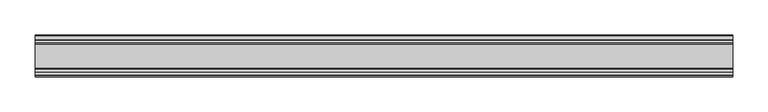
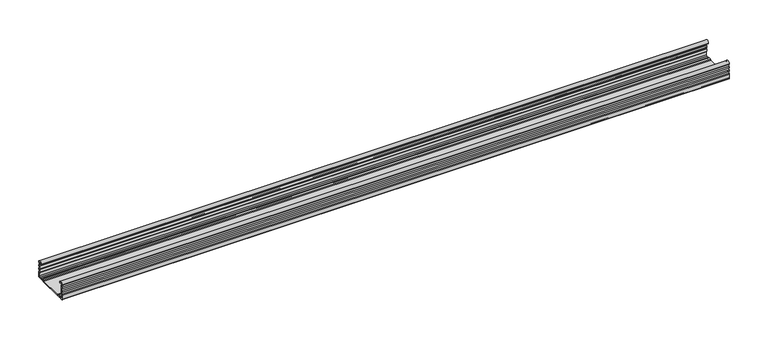
"""IFC4 building model written with IfcOpenShell, lengths in millimetres: proxy geometry."""

import ifcopenshell
import ifcopenshell.guid

model = None  # the IFC model being written
_history = None  # IfcOwnerHistory: only IFC2X3 demands one
_inside = {}  # id of a spatial element -> (the spatial element, [elements in it])
_under = {}  # id of a project, library or spatial element -> (it, [spatial elements below it])
_declared = {}  # id of a project -> (the project, [libraries it declares])
_typed = {}  # id of a type object -> (the type object, [elements of that type])
_made_of = {}  # id of a material, layer set ... -> (it, [elements and type objects made of it])


def new_model(schema):
    """Start an empty IFC model of exactly this schema.

    Asked for "IFC4X3", IfcOpenShell would pick the latest addendum, in which some entities
    have other attributes; the version numbers below select the first issue.
    IFC2X3 requires an IfcOwnerHistory on every rooted entity: one is made here for all.
    """
    global model, _history
    if schema == "IFC4X3":
        model = ifcopenshell.file(schema_version=(4, 3, 0, 0))
    else:
        model = ifcopenshell.file(schema=schema)
    _inside.clear()
    _under.clear()
    _declared.clear()
    _typed.clear()
    _made_of.clear()
    _history = None
    if model.schema == "IFC2X3":
        org = make("IfcOrganization", Name="unknown")
        user = make(
            "IfcPersonAndOrganization",
            ThePerson=make("IfcPerson", FamilyName="unknown"),
            TheOrganization=org,
        )
        app = make(
            "IfcApplication",
            ApplicationDeveloper=org,
            Version="unknown",
            ApplicationFullName="unknown",
            ApplicationIdentifier="unknown",
        )
        _history = make(
            "IfcOwnerHistory",
            OwningUser=user,
            OwningApplication=app,
            ChangeAction="ADDED",
            CreationDate=0,
        )
    return model


def make(cls, **values):
    """One entity of the class cls with the attributes given. An attribute that is None is left unset."""
    return model.create_entity(
        cls, **{name: value for name, value in values.items() if value is not None}
    )


def rooted(cls, **values):
    """An entity with a GlobalId (a new one), such as an element, a storey or a relation."""
    return make(cls, GlobalId=ifcopenshell.guid.new(), OwnerHistory=_history, **values)


def si_unit(unit_type, name, prefix=None):
    """IfcSIUnit, for example si_unit("LENGTHUNIT", "METRE", prefix="MILLI")."""
    return make("IfcSIUnit", UnitType=unit_type, Prefix=prefix, Name=name)


def assignment(units):
    """IfcUnitAssignment: the units of a project."""
    return None if units is None else make("IfcUnitAssignment", Units=units)


def point(xyz):
    """IfcCartesianPoint."""
    return None if xyz is None else make("IfcCartesianPoint", Coordinates=xyz)


def direction(xyz):
    """IfcDirection."""
    return None if xyz is None else make("IfcDirection", DirectionRatios=xyz)


def frame(location, z_axis=None, x_axis=None):
    """IfcAxis2Placement3D, a coordinate frame: its origin and axes. An axis left out is left unset."""
    return make(
        "IfcAxis2Placement3D",
        Location=point(location),
        Axis=direction(z_axis),
        RefDirection=direction(x_axis),
    )


def frame_2d(location, x_axis=None):
    """IfcAxis2Placement2D, a coordinate frame in the plane: its origin and x axis."""
    return make(
        "IfcAxis2Placement2D", Location=point(location), RefDirection=direction(x_axis)
    )


def origin():
    """The frame at (0, 0, 0) with its axes left unset."""
    return frame((0.0, 0.0, 0.0))


def place(relative_to, where):
    """IfcLocalPlacement: puts the frame where relative to a parent placement (None: the world)."""
    return make(
        "IfcLocalPlacement", PlacementRelTo=relative_to, RelativePlacement=where
    )


def context(
    kind, dimensions, precision=None, world=None, true_north=None, identifier=None
):
    """IfcGeometricRepresentationContext, for example the 3D "Model" context."""
    return make(
        "IfcGeometricRepresentationContext",
        ContextIdentifier=identifier,
        ContextType=kind,
        CoordinateSpaceDimension=dimensions,
        Precision=precision,
        WorldCoordinateSystem=world,
        TrueNorth=true_north,
    )


def project(units=None, contexts=None):
    """IfcProject with its units and contexts."""
    return rooted(
        "IfcProject",
        Name="project",
        RepresentationContexts=contexts,
        UnitsInContext=assignment(units),
    )


def spatial(cls, under=None, at=None, **own):
    """A site, building, storey or space (cls), placed at a placement, below another one or the project."""
    s = rooted(cls, ObjectPlacement=at, **own)
    if under is not None:
        _under.setdefault(under.id(), (under, []))[1].append(s)
    return s


def polyline(points):
    """IfcPolyline through the points."""
    return make("IfcPolyline", Points=[point(p) for p in points])


def circle_curve(where, radius):
    """IfcCircle in the frame where."""
    return make("IfcCircle", Position=where, Radius=radius)


def trimmed(basis, trim1, trim2, sense, master):
    """IfcTrimmedCurve: the piece of a basis curve between two trims."""
    return make(
        "IfcTrimmedCurve",
        BasisCurve=basis,
        Trim1=trim1,
        Trim2=trim2,
        SenseAgreement=sense,
        MasterRepresentation=master,
    )


def segment(curve, same_sense, transition):
    """IfcCompositeCurveSegment."""
    return make(
        "IfcCompositeCurveSegment",
        Transition=transition,
        SameSense=same_sense,
        ParentCurve=curve,
    )


def composite_curve(segments, self_intersect=None):
    """IfcCompositeCurve: segments joined end to end."""
    return make("IfcCompositeCurve", Segments=segments, SelfIntersect=self_intersect)


def outline(outer, holes=None, kind="AREA"):
    """IfcArbitraryClosedProfileDef: a profile drawn as a closed curve; with holes, ...WithVoids."""
    if holes is None:
        return make("IfcArbitraryClosedProfileDef", ProfileType=kind, OuterCurve=outer)
    return make(
        "IfcArbitraryProfileDefWithVoids",
        ProfileType=kind,
        OuterCurve=outer,
        InnerCurves=holes,
    )


def extrude(swept, where, along, depth):
    """IfcExtrudedAreaSolid: the profile swept, set in the frame where, extruded along a direction by depth."""
    return make(
        "IfcExtrudedAreaSolid",
        SweptArea=swept,
        Position=where,
        ExtrudedDirection=direction(along),
        Depth=depth,
    )


def shape(context_of_items, identifier, shape_type, items):
    """IfcShapeRepresentation: the items that make up one representation, for example the "Body"."""
    return make(
        "IfcShapeRepresentation",
        ContextOfItems=context_of_items,
        RepresentationIdentifier=identifier,
        RepresentationType=shape_type,
        Items=items,
    )


def source(mapping_origin, context_of_items, identifier, shape_type, items):
    """IfcRepresentationMap: a shape defined once, which mapped items show again and again."""
    return make(
        "IfcRepresentationMap",
        MappingOrigin=mapping_origin,
        MappedRepresentation=shape(context_of_items, identifier, shape_type, items),
    )


def transform(
    local_origin,
    x_axis=None,
    y_axis=None,
    z_axis=None,
    scale=None,
    scale2=None,
    scale3=None,
    uniform=True,
):
    """IfcCartesianTransformationOperator3D, or its non-uniform kind. x_axis, y_axis, z_axis: its Axis1, 2, 3."""
    if uniform:
        return make(
            "IfcCartesianTransformationOperator3D",
            Axis1=direction(x_axis),
            Axis2=direction(y_axis),
            LocalOrigin=point(local_origin),
            Scale=scale,
            Axis3=direction(z_axis),
        )
    return make(
        "IfcCartesianTransformationOperator3DnonUniform",
        Axis1=direction(x_axis),
        Axis2=direction(y_axis),
        LocalOrigin=point(local_origin),
        Scale=scale,
        Axis3=direction(z_axis),
        Scale2=scale2,
        Scale3=scale3,
    )


def mapped(mapping_source, mapping_target):
    """IfcMappedItem: shows the shape of a source again, moved by a transform."""
    return make(
        "IfcMappedItem", MappingSource=mapping_source, MappingTarget=mapping_target
    )


def made_of(thing, what):
    """Note that an element or type object is made of a material, layer set ...; save() writes the relation."""
    if what is not None:
        _made_of.setdefault(what.id(), (what, []))[1].append(thing)
    return thing


def element(
    cls,
    number,
    at=None,
    inside=None,
    cuts=None,
    type_object=None,
    material=None,
    context=None,
    identifier="Body",
    shape_type=None,
    held_by="IfcProductDefinitionShape",
    body=None,
    shapes=None,
    **own,
):
    """One element of the class cls, such as IfcWall. Its Tag is "e" and its number.

    at: its placement. inside: the storey or other place that contains it. cuts: it is an
    opening in that element (IfcRelVoidsElement). A single representation is given by context,
    identifier, shape_type and body (its items); several are given by shapes. held_by: the class
    of the entity that holds the representations. save() writes the other relations.
    """
    e = rooted(cls, Tag="e%d" % number, ObjectPlacement=at, **own)
    if body is not None:
        shapes = [shape(context, identifier, shape_type, body)]
    if shapes is not None:
        e.Representation = make(held_by, Representations=shapes)
    if inside is not None:
        _inside.setdefault(inside.id(), (inside, []))[1].append(e)
    if cuts is not None:
        rooted(
            "IfcRelVoidsElement", RelatingBuildingElement=cuts, RelatedOpeningElement=e
        )
    if type_object is not None:
        _typed.setdefault(type_object.id(), (type_object, []))[1].append(e)
    return made_of(e, material)


def aggregate(whole, parts):
    """IfcRelAggregates: a whole, such as a stair, and the parts it consists of."""
    return rooted("IfcRelAggregates", RelatingObject=whole, RelatedObjects=parts)


def save(model, path):
    """Write the relations noted so far, then the file.

    IfcRelAggregates (storeys below a building ...), IfcRelContainedInSpatialStructure (elements
    in a storey), IfcRelDefinesByType, IfcRelAssociatesMaterial and IfcRelDeclares: one each for
    every whole, place, type object, material and project.
    """
    for whole, parts in _under.values():
        aggregate(whole, parts)
    for where, things in _inside.values():
        rooted(
            "IfcRelContainedInSpatialStructure",
            RelatedElements=things,
            RelatingStructure=where,
        )
    for kind, things in _typed.values():
        rooted("IfcRelDefinesByType", RelatedObjects=things, RelatingType=kind)
    for what, things in _made_of.values():
        rooted("IfcRelAssociatesMaterial", RelatedObjects=things, RelatingMaterial=what)
    for by, libraries in _declared.values():
        rooted("IfcRelDeclares", RelatingContext=by, RelatedDefinitions=libraries)
    model.write(path)


def generic_models_a569ede1(model_context):
    return source(origin(), model_context, "Body", "SweptSolid", [
        extrude(outline(composite_curve([segment(trimmed(circle_curve(frame_2d((30.75, 21.1911057)), 1.95), [point((29.424, 22.6208693))], [point((29.424, 19.7613421))], True, "CARTESIAN"), True, "CONTINUOUS"), segment(trimmed(circle_curve(frame_2d((28.2, 18.4415603)), 1.8), [point((29.424, 19.7613421))], [point((29.6853338, 17.4248088))], False, "CARTESIAN"), True, "CONTINUOUS"), segment(trimmed(circle_curve(frame_2d((30.75, 15.7911057)), 1.95), [point((29.6853338, 17.4248088))], [point((29.6853338, 14.1574026))], True, "CARTESIAN"), True, "CONTINUOUS"), segment(trimmed(circle_curve(frame_2d((28.2, 13.1406511)), 1.8), [point((29.6853338, 14.1574026))], [point((29.424, 11.8208693))], False, "CARTESIAN"), True, "CONTINUOUS"), segment(trimmed(circle_curve(frame_2d((30.75, 10.3911057)), 1.95), [point((29.424, 11.8208693))], [point((29.424, 8.9613421))], True, "CARTESIAN"), True, "CONTINUOUS"), segment(trimmed(circle_curve(frame_2d((28.2, 7.6415603)), 1.8), [point((29.424, 8.9613421))], [point((30.0, 7.6415603))], False, "CARTESIAN"), True, "CONTINUOUS"), segment(polyline([(30.0, 7.6415603), (30.0, 1.2)]), True, "CONTINUOUS"), segment(trimmed(circle_curve(frame_2d((28.8, 1.2)), 1.2), [point((30.0, 1.2))], [point((28.8, 0.0))], False, "CARTESIAN"), True, "CONTINUOUS"), segment(polyline([(28.8, 0.0), (23.4819519, 0.0)]), True, "CONTINUOUS"), segment(trimmed(circle_curve(frame_2d((23.4819519, 1.8)), 1.8), [point((23.4819519, 0.0))], [point((22.1621701, 0.576))], False, "CARTESIAN"), True, "CONTINUOUS"), segment(trimmed(circle_curve(frame_2d((20.7324065, -0.75)), 1.95), [point((22.1621701, 0.576))], [point((19.3026429, 0.576))], True, "CARTESIAN"), True, "CONTINUOUS"), segment(trimmed(circle_curve(frame_2d((17.9828611, 1.8)), 1.8), [point((19.3026429, 0.576))], [point((17.9828611, 0.0))], False, "CARTESIAN"), True, "CONTINUOUS"), segment(polyline([(17.9828611, 0.0), (-17.9828611, 0.0)]), True, "CONTINUOUS"), segment(trimmed(circle_curve(frame_2d((-17.9828611, 1.8)), 1.8), [point((-17.9828611, 0.0))], [point((-19.3026429, 0.576))], False, "CARTESIAN"), True, "CONTINUOUS"), segment(trimmed(circle_curve(frame_2d((-20.7324065, -0.75)), 1.95), [point((-19.3026429, 0.576))], [point((-22.1621701, 0.576))], True, "CARTESIAN"), True, "CONTINUOUS"), segment(trimmed(circle_curve(frame_2d((-23.4819519, 1.8)), 1.8), [point((-22.1621701, 0.576))], [point((-23.4819519, 0.0))], False, "CARTESIAN"), True, "CONTINUOUS"), segment(polyline([(-23.4819519, 0.0), (-28.8, 0.0)]), True, "CONTINUOUS"), segment(trimmed(circle_curve(frame_2d((-28.8, 1.2)), 1.2), [point((-28.8, 0.0))], [point((-30.0, 1.2))], False, "CARTESIAN"), True, "CONTINUOUS"), segment(polyline([(-30.0, 1.2), (-30.0, 7.6415603)]), True, "CONTINUOUS"), segment(trimmed(circle_curve(frame_2d((-28.2, 7.6415603)), 1.8), [point((-30.0, 7.6415603))], [point((-29.424, 8.9613421))], False, "CARTESIAN"), True, "CONTINUOUS"), segment(trimmed(circle_curve(frame_2d((-30.75, 10.3911057)), 1.95), [point((-29.424, 8.9613421))], [point((-29.424, 11.8208693))], True, "CARTESIAN"), True, "CONTINUOUS"), segment(trimmed(circle_curve(frame_2d((-28.2, 13.1406511)), 1.8), [point((-29.424, 11.8208693))], [point((-29.6853338, 14.1574026))], False, "CARTESIAN"), True, "CONTINUOUS"), segment(trimmed(circle_curve(frame_2d((-30.75, 15.7911057)), 1.95), [point((-29.6853338, 14.1574026))], [point((-29.6853338, 17.4248088))], True, "CARTESIAN"), True, "CONTINUOUS"), segment(trimmed(circle_curve(frame_2d((-28.2, 18.4415603)), 1.8), [point((-29.6853338, 17.4248088))], [point((-29.424, 19.7613421))], False, "CARTESIAN"), True, "CONTINUOUS"), segment(trimmed(circle_curve(frame_2d((-30.75, 21.1911057)), 1.95), [point((-29.424, 19.7613421))], [point((-29.424, 22.6208693))], True, "CARTESIAN"), True, "CONTINUOUS"), segment(trimmed(circle_curve(frame_2d((-28.2, 23.9406511)), 1.8), [point((-29.424, 22.6208693))], [point((-29.9990651, 23.8826448))], False, "CARTESIAN"), True, "CONTINUOUS"), segment(trimmed(circle_curve(frame_2d((-26.8817099, 23.8826448)), 3.1173552), [point((-29.9990651, 23.8826448))], [point((-23.7643548, 23.8826448))], False, "CARTESIAN"), True, "CONTINUOUS"), segment(polyline([(-23.7643548, 23.8826448), (-23.7643548, 23.0407729), (-24.9643548, 23.0407729), (-24.9643548, 23.8826448)]), True, "CONTINUOUS"), segment(trimmed(circle_curve(frame_2d((-26.8817099, 23.8826448)), 1.9173552), [point((-24.9643548, 23.8826448))], [point((-28.7514388, 24.3073386))], True, "CARTESIAN"), True, "CONTINUOUS"), segment(trimmed(circle_curve(frame_2d((-27.7762784, 24.0858388)), 1.0), [point((-28.7514388, 24.3073386))], [point((-28.4928378, 23.3883128))], True, "CARTESIAN"), True, "CONTINUOUS"), segment(trimmed(circle_curve(frame_2d((-30.75, 21.1911057)), 3.15), [point((-28.4928378, 23.3883128))], [point((-28.3578316, 19.1417081))], False, "CARTESIAN"), True, "CONTINUOUS"), segment(trimmed(circle_curve(frame_2d((-27.5984131, 18.4911057)), 1.0), [point((-28.3578316, 19.1417081))], [point((-28.3578316, 17.8405033))], True, "CARTESIAN"), True, "CONTINUOUS"), segment(trimmed(circle_curve(frame_2d((-30.75, 15.7911057)), 3.15), [point((-28.3578316, 17.8405033))], [point((-28.3578316, 13.7417081))], False, "CARTESIAN"), True, "CONTINUOUS"), segment(trimmed(circle_curve(frame_2d((-27.5984131, 13.0911057)), 1.0), [point((-28.3578316, 13.7417081))], [point((-28.3578316, 12.4405033))], True, "CARTESIAN"), True, "CONTINUOUS"), segment(trimmed(circle_curve(frame_2d((-30.75, 10.3911057)), 3.15), [point((-28.3578316, 12.4405033))], [point((-28.3339806, 8.3698808))], False, "CARTESIAN"), True, "CONTINUOUS"), segment(trimmed(circle_curve(frame_2d((-26.8, 7.0865634)), 2.0), [point((-28.3339806, 8.3698808))], [point((-28.8, 7.0865634))], True, "CARTESIAN"), True, "CONTINUOUS"), segment(polyline([(-28.8, 7.0865634), (-28.8, 2.4)]), True, "CONTINUOUS"), segment(trimmed(circle_curve(frame_2d((-27.6, 2.4)), 1.2), [point((-28.8, 2.4))], [point((-27.6, 1.2))], True, "CARTESIAN"), True, "CONTINUOUS"), segment(polyline([(-27.6, 1.2), (-24.382064, 1.2)]), True, "CONTINUOUS"), segment(trimmed(circle_curve(frame_2d((-24.382064, 4.2)), 3.0), [point((-24.382064, 1.2))], [point((-22.6017433, 1.7853659))], True, "CARTESIAN"), True, "CONTINUOUS"), segment(trimmed(circle_curve(frame_2d((-20.7324065, -0.75)), 3.15), [point((-22.6017433, 1.7853659))], [point((-18.8630697, 1.7853659))], False, "CARTESIAN"), True, "CONTINUOUS"), segment(trimmed(circle_curve(frame_2d((-17.082749, 4.2)), 3.0), [point((-18.8630697, 1.7853659))], [point((-17.082749, 1.2))], True, "CARTESIAN"), True, "CONTINUOUS"), segment(polyline([(-17.082749, 1.2), (17.082749, 1.2)]), True, "CONTINUOUS"), segment(trimmed(circle_curve(frame_2d((17.082749, 4.2)), 3.0), [point((17.082749, 1.2))], [point((18.8630697, 1.7853659))], True, "CARTESIAN"), True, "CONTINUOUS"), segment(trimmed(circle_curve(frame_2d((20.7324065, -0.75)), 3.15), [point((18.8630697, 1.7853659))], [point((22.6017433, 1.7853659))], False, "CARTESIAN"), True, "CONTINUOUS"), segment(trimmed(circle_curve(frame_2d((24.382064, 4.2)), 3.0), [point((22.6017433, 1.7853659))], [point((24.382064, 1.2))], True, "CARTESIAN"), True, "CONTINUOUS"), segment(polyline([(24.382064, 1.2), (27.6182196, 1.2)]), True, "CONTINUOUS"), segment(trimmed(circle_curve(frame_2d((27.6182196, 2.3817804)), 1.1817804), [point((27.6182196, 1.2))], [point((28.8, 2.3817804))], True, "CARTESIAN"), True, "CONTINUOUS"), segment(polyline([(28.8, 2.3817804), (28.8, 7.0865634)]), True, "CONTINUOUS"), segment(trimmed(circle_curve(frame_2d((26.8, 7.0865634)), 2.0), [point((28.8, 7.0865634))], [point((28.3339806, 8.3698808))], True, "CARTESIAN"), True, "CONTINUOUS"), segment(trimmed(circle_curve(frame_2d((30.75, 10.3911057)), 3.15), [point((28.3339806, 8.3698808))], [point((28.3578316, 12.4405033))], False, "CARTESIAN"), True, "CONTINUOUS"), segment(trimmed(circle_curve(frame_2d((27.5984131, 13.0911057)), 1.0), [point((28.3578316, 12.4405033))], [point((28.3578316, 13.7417081))], True, "CARTESIAN"), True, "CONTINUOUS"), segment(trimmed(circle_curve(frame_2d((30.75, 15.7911057)), 3.15), [point((28.3578316, 13.7417081))], [point((28.3578316, 17.8405033))], False, "CARTESIAN"), True, "CONTINUOUS"), segment(trimmed(circle_curve(frame_2d((27.5984131, 18.4911057)), 1.0), [point((28.3578316, 17.8405033))], [point((28.3578316, 19.1417081))], True, "CARTESIAN"), True, "CONTINUOUS"), segment(trimmed(circle_curve(frame_2d((30.75, 21.1911057)), 3.15), [point((28.3578316, 19.1417081))], [point((28.4928378, 23.3883128))], False, "CARTESIAN"), True, "CONTINUOUS"), segment(trimmed(circle_curve(frame_2d((27.7762784, 24.0858388)), 1.0), [point((28.4928378, 23.3883128))], [point((28.7514388, 24.3073386))], True, "CARTESIAN"), True, "CONTINUOUS"), segment(trimmed(circle_curve(frame_2d((26.8817099, 23.8826448)), 1.9173552), [point((28.7514388, 24.3073386))], [point((24.9643548, 23.8826448))], True, "CARTESIAN"), True, "CONTINUOUS"), segment(polyline([(24.9643548, 23.8826448), (24.9643548, 23.0407729), (23.7643548, 23.0407729), (23.7643548, 23.8826448)]), True, "CONTINUOUS"), segment(trimmed(circle_curve(frame_2d((26.8817099, 23.8826448)), 3.1173552), [point((23.7643548, 23.8826448))], [point((29.9990651, 23.8826448))], False, "CARTESIAN"), True, "CONTINUOUS"), segment(trimmed(circle_curve(frame_2d((28.2, 23.9406511)), 1.8), [point((29.9990651, 23.8826448))], [point((29.424, 22.6208693))], False, "CARTESIAN"), True, "CONTINUOUS")], self_intersect=False)), frame((-496.4018377, 0.0, 0.0), z_axis=(1.0, 0.0, 0.0), x_axis=(0.0, 1.0, 0.0)), (0.0, 0.0, 1.0), 992.8036753),
    ])


if __name__ == "__main__":
    model = new_model("IFC4")
    model_context = context("Model", 3, world=origin())
    ifc_project = project(units=[si_unit("LENGTHUNIT", "METRE", prefix="MILLI")], contexts=[model_context])
    site = spatial("IfcSite", under=ifc_project)
    building = spatial("IfcBuilding", under=site)
    placement = place(None, origin())
    generic_models_shape = generic_models_a569ede1(model_context)
    element("IfcBuildingElementProxy", 1, Name="Generic Models", at=placement, inside=building, context=model_context, shape_type="MappedRepresentation", body=[
        mapped(generic_models_shape, transform((0.0, 0.0, 0.0), x_axis=(1.0, 0.0, 0.0), y_axis=(0.0, 1.0, 0.0), z_axis=(0.0, 0.0, 1.0))),
    ])
    save(model, "model.ifc")
